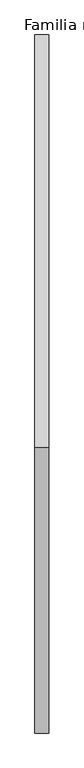
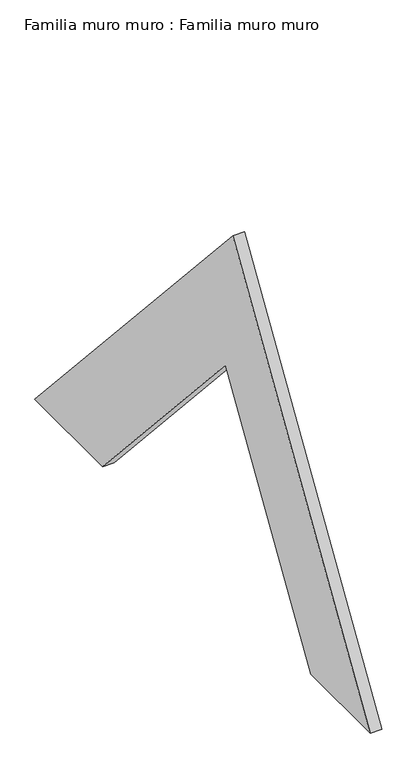
"""IFC4 building model written with IfcOpenShell, lengths in millimetres: plate geometry, Familia muro muro : Familia muro muro."""

from ifc_helpers import new_model, si_unit, frame, origin, place, context, project, spatial, polyline, outline, extrude, source, transform, mapped, element, save


def familia_muro_muro_familia_muro_muro_005bbfe0(model_context):
    return source(origin(), model_context, "Body", "SweptSolid", [
        extrude(outline(polyline([(-590.3230506, 655.6201678), (0.0, 0.0), (-201.8449094, 0.0), (-568.5998285, 407.322603), (-823.1232395, 0.0), (-1000.0, 0.0), (-590.3230506, 655.6201678)])), frame((0.0, 0.0, 0.0), z_axis=(1.0, 0.0, 0.0), x_axis=(0.0, 1.0, 0.0)), (0.0, 0.0, 1.0), 20.0),
    ])


if __name__ == "__main__":
    model = new_model("IFC4")
    model_context = context("Model", 3, world=origin())
    ifc_project = project(units=[si_unit("LENGTHUNIT", "METRE", prefix="MILLI")], contexts=[model_context])
    site = spatial("IfcSite", under=ifc_project)
    building = spatial("IfcBuilding", under=site)
    placement = place(None, origin())
    familia_muro_muro_familia_muro_muro_shape = familia_muro_muro_familia_muro_muro_005bbfe0(model_context)
    element("IfcPlate", 1, ObjectType="Familia muro muro : Familia muro muro", at=placement, inside=building, context=model_context, shape_type="MappedRepresentation", body=[
        mapped(familia_muro_muro_familia_muro_muro_shape, transform((0.0, 0.0, 0.0), x_axis=(1.0, 0.0, 0.0), y_axis=(0.0, 1.0, 0.0), z_axis=(0.0, 0.0, 1.0))),
    ])
    save(model, "model.ifc")
